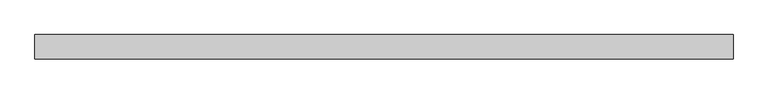
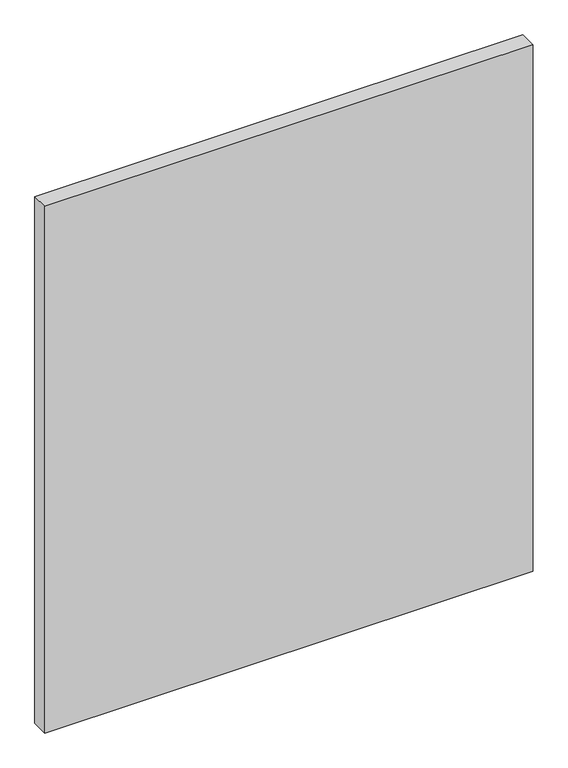
"""IFC4 building model written with IfcOpenShell, lengths in millimetres: plate geometry."""

from ifc_helpers import new_model, si_unit, origin, origin_with_axes, place, context, project, spatial, polyline, outline, extrude, source, transform, mapped, element, save


def plate_e45c601b(model_context):
    return source(origin(), model_context, "Body", "SweptSolid", [
        extrude(outline(polyline([(501.7291667, -17.5), (-501.7291667, -17.5), (-501.7291667, 17.5), (501.7291667, 17.5), (501.7291667, -17.5)])), origin_with_axes(), (0.0, 0.0, 1.0), 1143.8125),
    ])


if __name__ == "__main__":
    model = new_model("IFC4")
    model_context = context("Model", 3, world=origin())
    ifc_project = project(units=[si_unit("LENGTHUNIT", "METRE", prefix="MILLI")], contexts=[model_context])
    site = spatial("IfcSite", under=ifc_project)
    building = spatial("IfcBuilding", under=site)
    placement = place(None, origin())
    plate_shape = plate_e45c601b(model_context)
    element("IfcPlate", 1, at=placement, inside=building, context=model_context, shape_type="MappedRepresentation", body=[
        mapped(plate_shape, transform((0.0, 0.0, 0.0), x_axis=(1.0, 0.0, 0.0), y_axis=(0.0, 1.0, 0.0), z_axis=(0.0, 0.0, 1.0))),
    ])
    save(model, "model.ifc")
